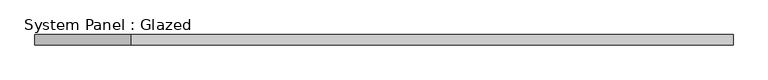
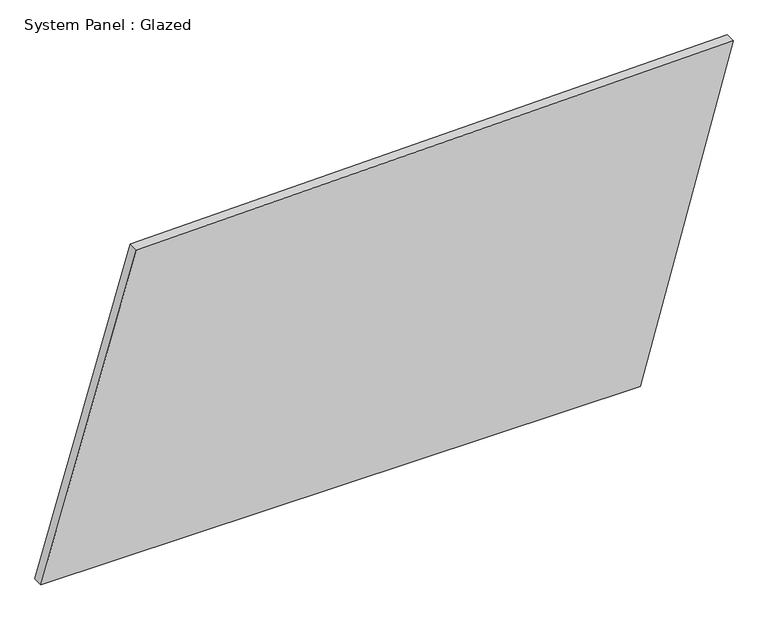
"""IFC4 building model written with IfcOpenShell, lengths in millimetres: plate geometry, System Panel : Glazed."""

from ifc_helpers import new_model, si_unit, frame, origin, place, context, project, spatial, polyline, outline, extrude, source, transform, mapped, element, save


def system_panel_glazed_288a1d7a(model_context):
    return source(origin(), model_context, "Body", "SweptSolid", [
        extrude(outline(polyline([(0.0, -839.9331606), (0.0, 614.2364963), (808.8710173, 839.9331606), (779.1829925, -608.2683284), (0.0, -839.9331606)])), frame((0.0, -49.5, 0.0), z_axis=(0.0, 1.0, 0.0), x_axis=(0.0, 0.0, 1.0)), (0.0, 0.0, 1.0), 25.0),
    ])


if __name__ == "__main__":
    model = new_model("IFC4")
    model_context = context("Model", 3, world=origin())
    ifc_project = project(units=[si_unit("LENGTHUNIT", "METRE", prefix="MILLI")], contexts=[model_context])
    site = spatial("IfcSite", under=ifc_project)
    building = spatial("IfcBuilding", under=site)
    placement = place(None, origin())
    system_panel_glazed_shape = system_panel_glazed_288a1d7a(model_context)
    element("IfcPlate", 1, ObjectType="System Panel : Glazed", at=placement, inside=building, context=model_context, shape_type="MappedRepresentation", body=[
        mapped(system_panel_glazed_shape, transform((0.0, 0.0, 0.0), x_axis=(1.0, 0.0, 0.0), y_axis=(0.0, 1.0, 0.0), z_axis=(0.0, 0.0, 1.0))),
    ])
    save(model, "model.ifc")
